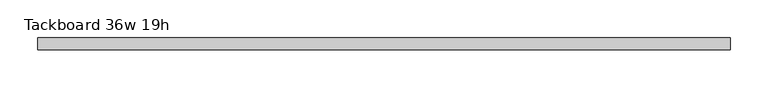
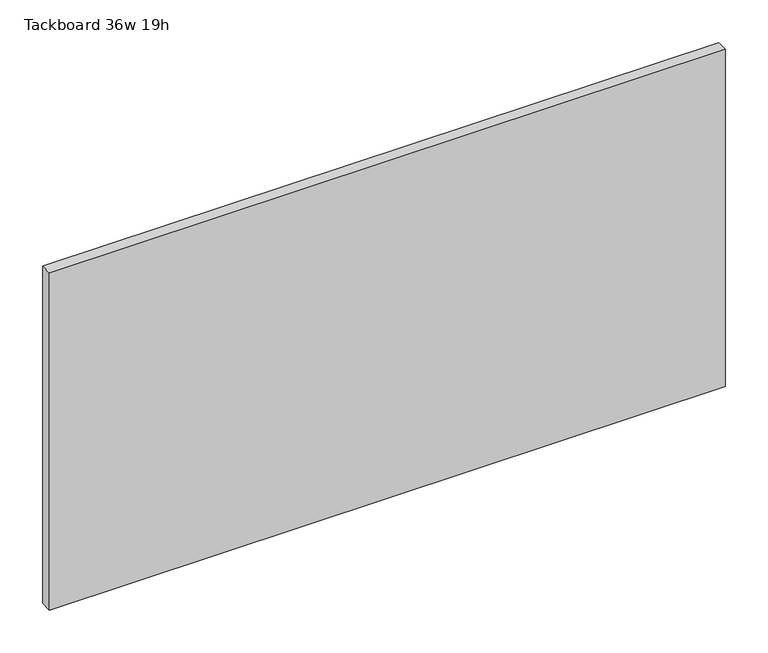
"""IFC4 building model written with IfcOpenShell, lengths in millimetres: furniture geometry, Tackboard 36w 19h."""

import ifcopenshell
import ifcopenshell.guid

model = None  # the IFC model being written
_history = None  # IfcOwnerHistory: only IFC2X3 demands one
_inside = {}  # id of a spatial element -> (the spatial element, [elements in it])
_under = {}  # id of a project, library or spatial element -> (it, [spatial elements below it])
_declared = {}  # id of a project -> (the project, [libraries it declares])
_typed = {}  # id of a type object -> (the type object, [elements of that type])
_made_of = {}  # id of a material, layer set ... -> (it, [elements and type objects made of it])


def new_model(schema):
    """Start an empty IFC model of exactly this schema.

    Asked for "IFC4X3", IfcOpenShell would pick the latest addendum, in which some entities
    have other attributes; the version numbers below select the first issue.
    IFC2X3 requires an IfcOwnerHistory on every rooted entity: one is made here for all.
    """
    global model, _history
    if schema == "IFC4X3":
        model = ifcopenshell.file(schema_version=(4, 3, 0, 0))
    else:
        model = ifcopenshell.file(schema=schema)
    _inside.clear()
    _under.clear()
    _declared.clear()
    _typed.clear()
    _made_of.clear()
    _history = None
    if model.schema == "IFC2X3":
        org = make("IfcOrganization", Name="unknown")
        user = make(
            "IfcPersonAndOrganization",
            ThePerson=make("IfcPerson", FamilyName="unknown"),
            TheOrganization=org,
        )
        app = make(
            "IfcApplication",
            ApplicationDeveloper=org,
            Version="unknown",
            ApplicationFullName="unknown",
            ApplicationIdentifier="unknown",
        )
        _history = make(
            "IfcOwnerHistory",
            OwningUser=user,
            OwningApplication=app,
            ChangeAction="ADDED",
            CreationDate=0,
        )
    return model


def make(cls, **values):
    """One entity of the class cls with the attributes given. An attribute that is None is left unset."""
    return model.create_entity(
        cls, **{name: value for name, value in values.items() if value is not None}
    )


def rooted(cls, **values):
    """An entity with a GlobalId (a new one), such as an element, a storey or a relation."""
    return make(cls, GlobalId=ifcopenshell.guid.new(), OwnerHistory=_history, **values)


def si_unit(unit_type, name, prefix=None):
    """IfcSIUnit, for example si_unit("LENGTHUNIT", "METRE", prefix="MILLI")."""
    return make("IfcSIUnit", UnitType=unit_type, Prefix=prefix, Name=name)


def assignment(units):
    """IfcUnitAssignment: the units of a project."""
    return None if units is None else make("IfcUnitAssignment", Units=units)


def point(xyz):
    """IfcCartesianPoint."""
    return None if xyz is None else make("IfcCartesianPoint", Coordinates=xyz)


def direction(xyz):
    """IfcDirection."""
    return None if xyz is None else make("IfcDirection", DirectionRatios=xyz)


def frame(location, z_axis=None, x_axis=None):
    """IfcAxis2Placement3D, a coordinate frame: its origin and axes. An axis left out is left unset."""
    return make(
        "IfcAxis2Placement3D",
        Location=point(location),
        Axis=direction(z_axis),
        RefDirection=direction(x_axis),
    )


def origin():
    """The frame at (0, 0, 0) with its axes left unset."""
    return frame((0.0, 0.0, 0.0))


def place(relative_to, where):
    """IfcLocalPlacement: puts the frame where relative to a parent placement (None: the world)."""
    return make(
        "IfcLocalPlacement", PlacementRelTo=relative_to, RelativePlacement=where
    )


def context(
    kind, dimensions, precision=None, world=None, true_north=None, identifier=None
):
    """IfcGeometricRepresentationContext, for example the 3D "Model" context."""
    return make(
        "IfcGeometricRepresentationContext",
        ContextIdentifier=identifier,
        ContextType=kind,
        CoordinateSpaceDimension=dimensions,
        Precision=precision,
        WorldCoordinateSystem=world,
        TrueNorth=true_north,
    )


def project(units=None, contexts=None):
    """IfcProject with its units and contexts."""
    return rooted(
        "IfcProject",
        Name="project",
        RepresentationContexts=contexts,
        UnitsInContext=assignment(units),
    )


def spatial(cls, under=None, at=None, **own):
    """A site, building, storey or space (cls), placed at a placement, below another one or the project."""
    s = rooted(cls, ObjectPlacement=at, **own)
    if under is not None:
        _under.setdefault(under.id(), (under, []))[1].append(s)
    return s


def polyline(points):
    """IfcPolyline through the points."""
    return make("IfcPolyline", Points=[point(p) for p in points])


def outline(outer, holes=None, kind="AREA"):
    """IfcArbitraryClosedProfileDef: a profile drawn as a closed curve; with holes, ...WithVoids."""
    if holes is None:
        return make("IfcArbitraryClosedProfileDef", ProfileType=kind, OuterCurve=outer)
    return make(
        "IfcArbitraryProfileDefWithVoids",
        ProfileType=kind,
        OuterCurve=outer,
        InnerCurves=holes,
    )


def extrude(swept, where, along, depth):
    """IfcExtrudedAreaSolid: the profile swept, set in the frame where, extruded along a direction by depth."""
    return make(
        "IfcExtrudedAreaSolid",
        SweptArea=swept,
        Position=where,
        ExtrudedDirection=direction(along),
        Depth=depth,
    )


def shape(context_of_items, identifier, shape_type, items):
    """IfcShapeRepresentation: the items that make up one representation, for example the "Body"."""
    return make(
        "IfcShapeRepresentation",
        ContextOfItems=context_of_items,
        RepresentationIdentifier=identifier,
        RepresentationType=shape_type,
        Items=items,
    )


def source(mapping_origin, context_of_items, identifier, shape_type, items):
    """IfcRepresentationMap: a shape defined once, which mapped items show again and again."""
    return make(
        "IfcRepresentationMap",
        MappingOrigin=mapping_origin,
        MappedRepresentation=shape(context_of_items, identifier, shape_type, items),
    )


def transform(
    local_origin,
    x_axis=None,
    y_axis=None,
    z_axis=None,
    scale=None,
    scale2=None,
    scale3=None,
    uniform=True,
):
    """IfcCartesianTransformationOperator3D, or its non-uniform kind. x_axis, y_axis, z_axis: its Axis1, 2, 3."""
    if uniform:
        return make(
            "IfcCartesianTransformationOperator3D",
            Axis1=direction(x_axis),
            Axis2=direction(y_axis),
            LocalOrigin=point(local_origin),
            Scale=scale,
            Axis3=direction(z_axis),
        )
    return make(
        "IfcCartesianTransformationOperator3DnonUniform",
        Axis1=direction(x_axis),
        Axis2=direction(y_axis),
        LocalOrigin=point(local_origin),
        Scale=scale,
        Axis3=direction(z_axis),
        Scale2=scale2,
        Scale3=scale3,
    )


def mapped(mapping_source, mapping_target):
    """IfcMappedItem: shows the shape of a source again, moved by a transform."""
    return make(
        "IfcMappedItem", MappingSource=mapping_source, MappingTarget=mapping_target
    )


def made_of(thing, what):
    """Note that an element or type object is made of a material, layer set ...; save() writes the relation."""
    if what is not None:
        _made_of.setdefault(what.id(), (what, []))[1].append(thing)
    return thing


def element(
    cls,
    number,
    at=None,
    inside=None,
    cuts=None,
    type_object=None,
    material=None,
    context=None,
    identifier="Body",
    shape_type=None,
    held_by="IfcProductDefinitionShape",
    body=None,
    shapes=None,
    **own,
):
    """One element of the class cls, such as IfcWall. Its Tag is "e" and its number.

    at: its placement. inside: the storey or other place that contains it. cuts: it is an
    opening in that element (IfcRelVoidsElement). A single representation is given by context,
    identifier, shape_type and body (its items); several are given by shapes. held_by: the class
    of the entity that holds the representations. save() writes the other relations.
    """
    e = rooted(cls, Tag="e%d" % number, ObjectPlacement=at, **own)
    if body is not None:
        shapes = [shape(context, identifier, shape_type, body)]
    if shapes is not None:
        e.Representation = make(held_by, Representations=shapes)
    if inside is not None:
        _inside.setdefault(inside.id(), (inside, []))[1].append(e)
    if cuts is not None:
        rooted(
            "IfcRelVoidsElement", RelatingBuildingElement=cuts, RelatedOpeningElement=e
        )
    if type_object is not None:
        _typed.setdefault(type_object.id(), (type_object, []))[1].append(e)
    return made_of(e, material)


def aggregate(whole, parts):
    """IfcRelAggregates: a whole, such as a stair, and the parts it consists of."""
    return rooted("IfcRelAggregates", RelatingObject=whole, RelatedObjects=parts)


def save(model, path):
    """Write the relations noted so far, then the file.

    IfcRelAggregates (storeys below a building ...), IfcRelContainedInSpatialStructure (elements
    in a storey), IfcRelDefinesByType, IfcRelAssociatesMaterial and IfcRelDeclares: one each for
    every whole, place, type object, material and project.
    """
    for whole, parts in _under.values():
        aggregate(whole, parts)
    for where, things in _inside.values():
        rooted(
            "IfcRelContainedInSpatialStructure",
            RelatedElements=things,
            RelatingStructure=where,
        )
    for kind, things in _typed.values():
        rooted("IfcRelDefinesByType", RelatedObjects=things, RelatingType=kind)
    for what, things in _made_of.values():
        rooted("IfcRelAssociatesMaterial", RelatedObjects=things, RelatingMaterial=what)
    for by, libraries in _declared.values():
        rooted("IfcRelDeclares", RelatingContext=by, RelatedDefinitions=libraries)
    model.write(path)


def tackboard_36w_19h_fb01dd5a(model_context):
    return source(origin(), model_context, "Body", "SweptSolid", [
        extrude(outline(polyline([(459.6402902, -28.8968594), (-454.7597098, -28.8968594), (-454.7597098, -13.0218594), (459.6402902, -13.0218594), (459.6402902, -28.8968594)])), frame((0.0, 0.0, 1066.8), z_axis=(0.0, 0.0, 1.0), x_axis=(1.0, 0.0, 0.0)), (0.0, 0.0, 1.0), 482.6),
    ])


if __name__ == "__main__":
    model = new_model("IFC4")
    model_context = context("Model", 3, world=origin())
    ifc_project = project(units=[si_unit("LENGTHUNIT", "METRE", prefix="MILLI")], contexts=[model_context])
    site = spatial("IfcSite", under=ifc_project)
    building = spatial("IfcBuilding", under=site)
    placement = place(None, origin())
    tackboard_36w_19h_shape = tackboard_36w_19h_fb01dd5a(model_context)
    element("IfcFurniture", 1, ObjectType="Tackboard 36w 19h", at=placement, inside=building, context=model_context, shape_type="MappedRepresentation", body=[
        mapped(tackboard_36w_19h_shape, transform((0.0, 0.0, 0.0), x_axis=(1.0, 0.0, 0.0), y_axis=(0.0, 1.0, 0.0), z_axis=(0.0, 0.0, 1.0))),
    ])
    save(model, "model.ifc")
